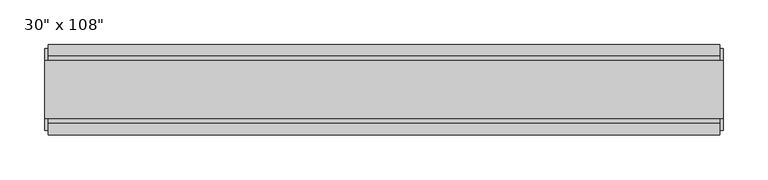
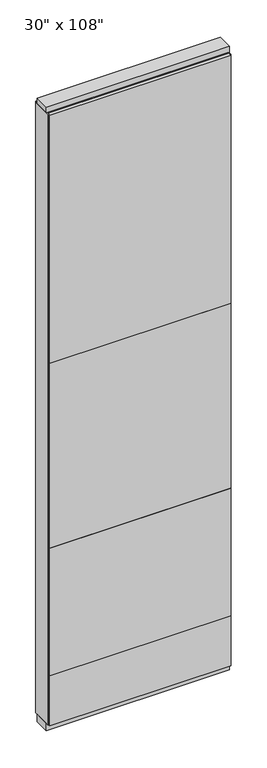
"""IFC4 building model written with IfcOpenShell, lengths in millimetres: furniture geometry."""

from ifc_helpers import new_model, si_unit, frame, origin, origin_with_axes, place, context, project, spatial, polyline, outline, extrude, source, transform, mapped, element, save


def furniture_01ae671b(model_context):
    return source(origin(), model_context, "Body", "SweptSolid", [
        extrude(outline(polyline([(317.0264771, 46.2822784), (317.0264771, 33.5822784), (-437.0995229, 33.5822784), (-437.0995229, 46.2822784), (317.0264771, 46.2822784)])), frame((0.0, 0.0, 1625.6), z_axis=(0.0, 0.0, 1.0), x_axis=(1.0, 0.0, 0.0)), (0.0, 0.0, 1.0), 1092.2),
        extrude(outline(polyline([(317.0264771, 46.2822784), (317.0264771, 33.5822784), (-437.0995229, 33.5822784), (-437.0995229, 46.2822784), (317.0264771, 46.2822784)])), frame((0.0, 0.0, 812.8), z_axis=(0.0, 0.0, 1.0), x_axis=(1.0, 0.0, 0.0)), (0.0, 0.0, 1.0), 812.8),
        extrude(outline(polyline([(317.0264771, 46.2822784), (317.0264771, 33.5822784), (-437.0995229, 33.5822784), (-437.0995229, 46.2822784), (317.0264771, 46.2822784)])), frame((0.0, 0.0, 249.936), z_axis=(0.0, 0.0, 1.0), x_axis=(1.0, 0.0, 0.0)), (0.0, 0.0, 1.0), 562.864),
        extrude(outline(polyline([(317.0264771, -55.3177216), (-437.0995229, -55.3177216), (-437.0995229, -42.6177216), (317.0264771, -42.6177216), (317.0264771, -55.3177216)])), frame((0.0, 0.0, 1625.6), z_axis=(0.0, 0.0, 1.0), x_axis=(1.0, 0.0, 0.0)), (0.0, 0.0, 1.0), 1092.2),
        extrude(outline(polyline([(317.0264771, -55.3177216), (-437.0995229, -55.3177216), (-437.0995229, -42.6177216), (317.0264771, -42.6177216), (317.0264771, -55.3177216)])), frame((0.0, 0.0, 812.8), z_axis=(0.0, 0.0, 1.0), x_axis=(1.0, 0.0, 0.0)), (0.0, 0.0, 1.0), 812.8),
        extrude(outline(polyline([(317.0264771, -55.3177216), (-437.0995229, -55.3177216), (-437.0995229, -42.6177216), (317.0264771, -42.6177216), (317.0264771, -55.3177216)])), frame((0.0, 0.0, 249.936), z_axis=(0.0, 0.0, 1.0), x_axis=(1.0, 0.0, 0.0)), (0.0, 0.0, 1.0), 562.864),
        extrude(outline(polyline([(317.0264771, 46.2822784), (317.0264771, 33.5822784), (-437.0995229, 33.5822784), (-437.0995229, 46.2822784), (317.0264771, 46.2822784)])), frame((0.0, 0.0, 31.75), z_axis=(0.0, 0.0, 1.0), x_axis=(1.0, 0.0, 0.0)), (0.0, 0.0, 1.0), 218.186),
        extrude(outline(polyline([(317.0264771, -55.3177216), (-437.0995229, -55.3177216), (-437.0995229, -42.6177216), (317.0264771, -42.6177216), (317.0264771, -55.3177216)])), frame((0.0, 0.0, 31.75), z_axis=(0.0, 0.0, 1.0), x_axis=(1.0, 0.0, 0.0)), (0.0, 0.0, 1.0), 218.186),
        extrude(outline(polyline([(-42.6177216, 2681.478), (-42.6177216, 2717.8), (33.5822784, 2717.8), (33.5822784, 2681.478), (28.6292784, 2681.478), (28.6292784, 2676.525), (-37.6647216, 2676.525), (-37.6647216, 2681.478), (-42.6177216, 2681.478)])), frame((-437.0995229, 0.0, 0.0), z_axis=(1.0, 0.0, 0.0), x_axis=(0.0, 1.0, 0.0)), (0.0, 0.0, 1.0), 754.126),
        extrude(outline(polyline([(320.9634771, 27.9942784), (320.9634771, -37.0297216), (-441.0365229, -37.0297216), (-441.0365229, 27.9942784), (320.9634771, 27.9942784)])), origin_with_axes(), (0.0, 0.0, 1.0), 31.75),
        extrude(outline(polyline([(-441.0365229, -37.0297216), (-441.0365229, 27.9942784), (320.9634771, 27.9942784), (320.9634771, -37.0297216), (-441.0365229, -37.0297216)])), frame((0.0, 0.0, 2717.8), z_axis=(0.0, 0.0, 1.0), x_axis=(1.0, 0.0, 0.0)), (0.0, 0.0, 1.0), 25.4),
        extrude(outline(polyline([(320.9634771, -50.3647216), (317.0264771, -50.3647216), (317.0264771, 41.3292784), (320.9634771, 41.3292784), (320.9634771, -50.3647216)])), frame((0.0, 0.0, 31.75), z_axis=(0.0, 0.0, 1.0), x_axis=(1.0, 0.0, 0.0)), (0.0, 0.0, 1.0), 2686.05),
        extrude(outline(polyline([(-441.0365229, -50.3647216), (-441.0365229, 41.3292784), (-437.0995229, 41.3292784), (-437.0995229, -50.3647216), (-441.0365229, -50.3647216)])), frame((0.0, 0.0, 31.75), z_axis=(0.0, 0.0, 1.0), x_axis=(1.0, 0.0, 0.0)), (0.0, 0.0, 1.0), 2686.05),
    ])


if __name__ == "__main__":
    model = new_model("IFC4")
    model_context = context("Model", 3, world=origin())
    ifc_project = project(units=[si_unit("LENGTHUNIT", "METRE", prefix="MILLI")], contexts=[model_context])
    site = spatial("IfcSite", under=ifc_project)
    building = spatial("IfcBuilding", under=site)
    placement = place(None, origin())
    furniture_shape = furniture_01ae671b(model_context)
    element("IfcFurniture", 1, ObjectType="30\" x 108\"", at=placement, inside=building, context=model_context, shape_type="MappedRepresentation", body=[
        mapped(furniture_shape, transform((0.0, 0.0, 0.0), x_axis=(1.0, 0.0, 0.0), y_axis=(0.0, 1.0, 0.0), z_axis=(0.0, 0.0, 1.0))),
    ])
    save(model, "model.ifc")
